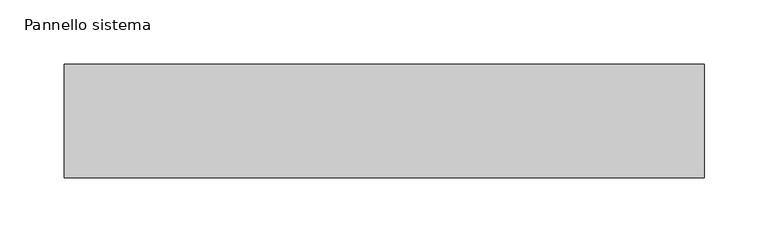
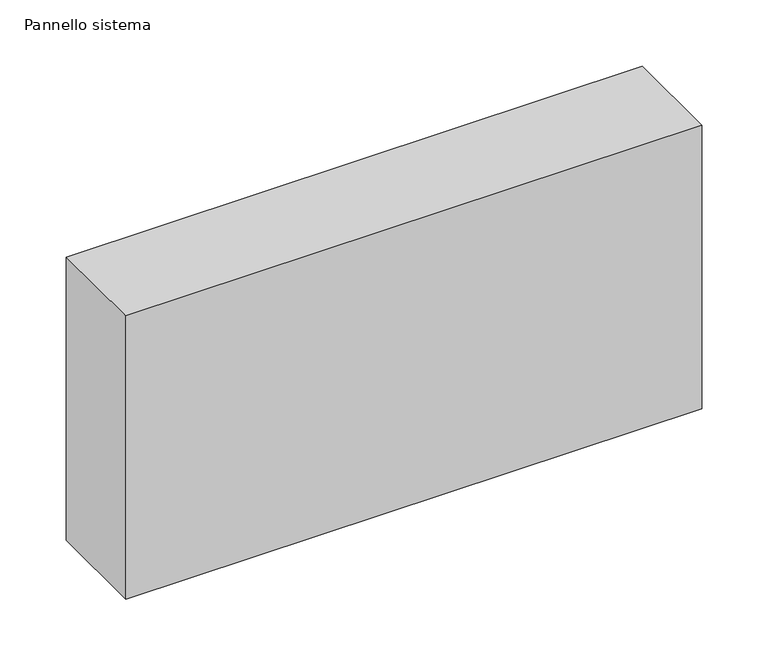
"""IFC4 building model written with IfcOpenShell, lengths in millimetres: plate geometry, Pannello sistema."""

from ifc_helpers import new_model, si_unit, origin, origin_with_axes, place, context, project, spatial, polyline, outline, extrude, source, transform, mapped, element, save


def pannello_sistema_b2491ccc(model_context):
    return source(origin(), model_context, "Body", "SweptSolid", [
        extrude(outline(polyline([(250.0, -44.5), (-250.0, -44.5), (-250.0, 44.5), (250.0, 44.5), (250.0, -44.5)])), origin_with_axes(), (0.0, 0.0, 1.0), 260.0),
    ])


if __name__ == "__main__":
    model = new_model("IFC4")
    model_context = context("Model", 3, world=origin())
    ifc_project = project(units=[si_unit("LENGTHUNIT", "METRE", prefix="MILLI")], contexts=[model_context])
    site = spatial("IfcSite", under=ifc_project)
    building = spatial("IfcBuilding", under=site)
    placement = place(None, origin())
    pannello_sistema_shape = pannello_sistema_b2491ccc(model_context)
    element("IfcPlate", 1, ObjectType="Pannello sistema", at=placement, inside=building, context=model_context, shape_type="MappedRepresentation", body=[
        mapped(pannello_sistema_shape, transform((0.0, 0.0, 0.0), x_axis=(1.0, 0.0, 0.0), y_axis=(0.0, 1.0, 0.0), z_axis=(0.0, 0.0, 1.0))),
    ])
    save(model, "model.ifc")
